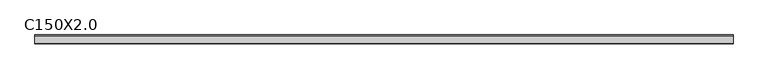
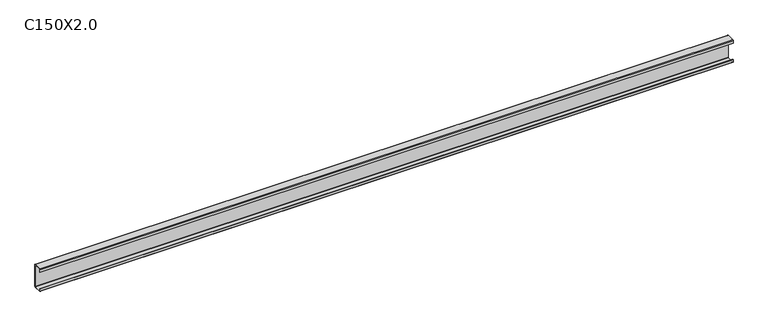
"""IFC4 building model written with IfcOpenShell, lengths in millimetres: beam geometry, C150X2.0."""

from ifc_helpers import new_model, si_unit, point, frame, frame_2d, origin, place, context, project, spatial, polyline, circle_curve, trimmed, segment, composite_curve, outline, extrude, source, transform, mapped, element, save


def c150x2_0_f30c4271(model_context):
    return source(origin(), model_context, "Body", "SweptSolid", [
        extrude(outline(composite_curve([segment(polyline([(-25.5, 54.4545455), (-27.5, 54.4545455), (-27.5, 71.0)]), True, "CONTINUOUS"), segment(trimmed(circle_curve(frame_2d((-23.5, 71.0)), 4.0), [point((-27.5, 71.0))], [point((-23.5, 75.0))], False, "CARTESIAN"), True, "CONTINUOUS"), segment(polyline([(-23.5, 75.0), (23.5, 75.0)]), True, "CONTINUOUS"), segment(trimmed(circle_curve(frame_2d((23.5, 71.0)), 4.0), [point((23.5, 75.0))], [point((27.5, 71.0))], False, "CARTESIAN"), True, "CONTINUOUS"), segment(polyline([(27.5, 71.0), (27.5, -71.0)]), True, "CONTINUOUS"), segment(trimmed(circle_curve(frame_2d((23.5, -71.0)), 4.0), [point((27.5, -71.0))], [point((23.5, -75.0))], False, "CARTESIAN"), True, "CONTINUOUS"), segment(polyline([(23.5, -75.0), (-23.5, -75.0)]), True, "CONTINUOUS"), segment(trimmed(circle_curve(frame_2d((-23.5, -71.0)), 4.0), [point((-23.5, -75.0))], [point((-27.5, -71.0))], False, "CARTESIAN"), True, "CONTINUOUS"), segment(polyline([(-27.5, -71.0), (-27.5, -54.9772112), (-25.5, -54.9772112), (-25.5, -71.0)]), True, "CONTINUOUS"), segment(trimmed(circle_curve(frame_2d((-23.5, -71.0)), 2.0), [point((-25.5, -71.0))], [point((-23.5, -73.0))], True, "CARTESIAN"), True, "CONTINUOUS"), segment(polyline([(-23.5, -73.0), (23.5, -73.0)]), True, "CONTINUOUS"), segment(trimmed(circle_curve(frame_2d((23.5, -71.0)), 2.0), [point((23.5, -73.0))], [point((25.5, -71.0))], True, "CARTESIAN"), True, "CONTINUOUS"), segment(polyline([(25.5, -71.0), (25.5, 71.0)]), True, "CONTINUOUS"), segment(trimmed(circle_curve(frame_2d((23.5, 71.0)), 2.0), [point((25.5, 71.0))], [point((23.5, 73.0))], True, "CARTESIAN"), True, "CONTINUOUS"), segment(polyline([(23.5, 73.0), (-23.5, 73.0)]), True, "CONTINUOUS"), segment(trimmed(circle_curve(frame_2d((-23.5, 71.0)), 2.0), [point((-23.5, 73.0))], [point((-25.5, 71.0))], True, "CARTESIAN"), True, "CONTINUOUS"), segment(polyline([(-25.5, 71.0), (-25.5, 54.4545455)]), True, "CONTINUOUS")], self_intersect=False)), frame((-2162.3, 0.0, 0.0), z_axis=(1.0, 0.0, 0.0), x_axis=(0.0, 1.0, 0.0)), (0.0, 0.0, 1.0), 4324.6),
    ])


if __name__ == "__main__":
    model = new_model("IFC4")
    model_context = context("Model", 3, world=origin())
    ifc_project = project(units=[si_unit("LENGTHUNIT", "METRE", prefix="MILLI")], contexts=[model_context])
    site = spatial("IfcSite", under=ifc_project)
    building = spatial("IfcBuilding", under=site)
    placement = place(None, origin())
    c150x2_0_shape = c150x2_0_f30c4271(model_context)
    element("IfcBeam", 1, ObjectType="C150X2.0", at=placement, inside=building, context=model_context, shape_type="MappedRepresentation", body=[
        mapped(c150x2_0_shape, transform((0.0, 0.0, 0.0), x_axis=(1.0, 0.0, 0.0), y_axis=(0.0, 1.0, 0.0), z_axis=(0.0, 0.0, 1.0))),
    ])
    save(model, "model.ifc")
